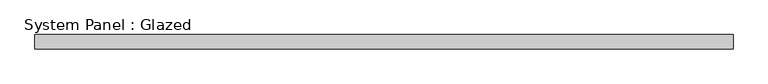
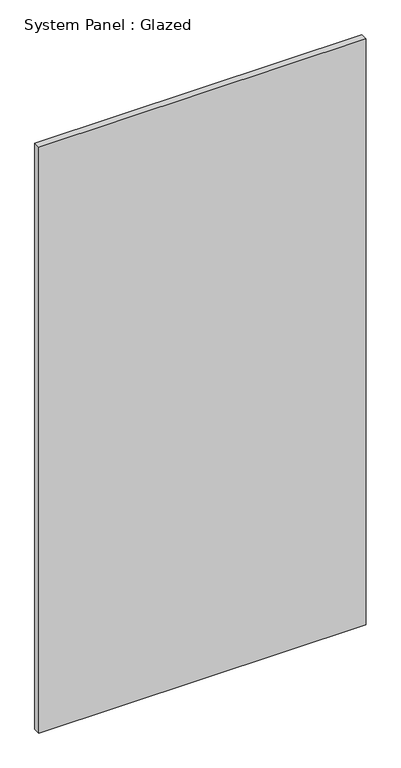
"""IFC4 building model written with IfcOpenShell, lengths in millimetres: plate geometry, System Panel : Glazed."""

from ifc_helpers import new_model, si_unit, origin, origin_with_axes, place, context, project, spatial, polyline, outline, extrude, source, transform, mapped, element, save


def system_panel_glazed_f92666af(model_context):
    return source(origin(), model_context, "Body", "SweptSolid", [
        extrude(outline(polyline([(619.125, 19.05), (-619.125, 19.05), (-619.125, 44.45), (619.125, 44.45), (619.125, 19.05)])), origin_with_axes(), (0.0, 0.0, 1.0), 2343.15),
    ])


if __name__ == "__main__":
    model = new_model("IFC4")
    model_context = context("Model", 3, world=origin())
    ifc_project = project(units=[si_unit("LENGTHUNIT", "METRE", prefix="MILLI")], contexts=[model_context])
    site = spatial("IfcSite", under=ifc_project)
    building = spatial("IfcBuilding", under=site)
    placement = place(None, origin())
    system_panel_glazed_shape = system_panel_glazed_f92666af(model_context)
    element("IfcPlate", 1, ObjectType="System Panel : Glazed", at=placement, inside=building, context=model_context, shape_type="MappedRepresentation", body=[
        mapped(system_panel_glazed_shape, transform((0.0, 0.0, 0.0), x_axis=(1.0, 0.0, 0.0), y_axis=(0.0, 1.0, 0.0), z_axis=(0.0, 0.0, 1.0))),
    ])
    save(model, "model.ifc")
